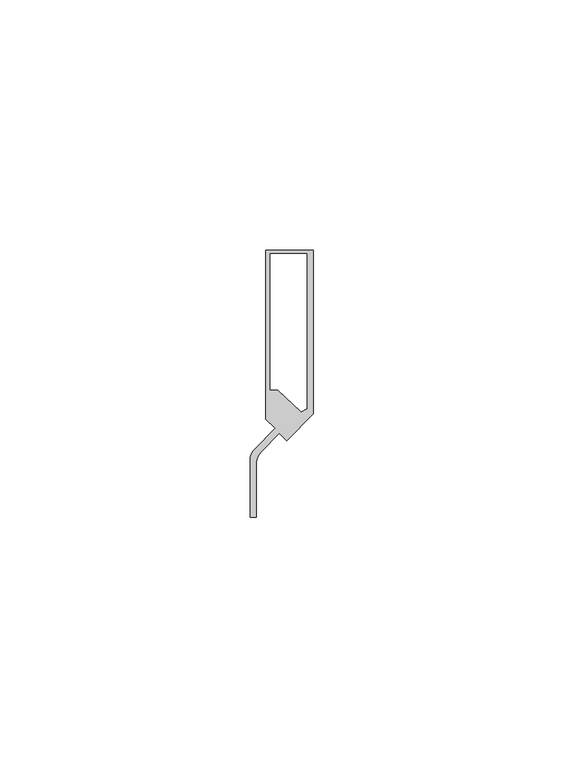
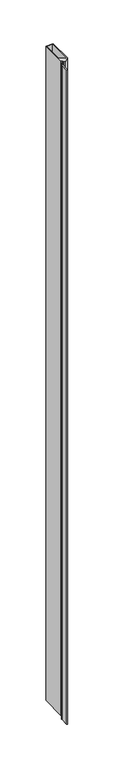
"""IFC4 building model written with IfcOpenShell, lengths in millimetres: proxy geometry."""

from ifc_helpers import new_model, si_unit, point, frame, frame_2d, origin, place, context, project, spatial, polyline, circle_curve, trimmed, segment, composite_curve, outline, extrude, source, transform, mapped, element, save


def generic_models_360291de(model_context):
    return source(origin(), model_context, "Body", "SweptSolid", [
        extrude(outline(composite_curve([segment(polyline([(37091.910396, -24094.004536), (37090.4642848, -24092.5160266), (37086.8080202, -24096.2067155)]), True, "CONTINUOUS"), segment(trimmed(circle_curve(frame_2d((37089.0530849, -24098.4517788)), 3.175), [point((37086.8080202, -24096.2067155))], [point((37085.878085, -24098.4507449))], True, "CARTESIAN"), True, "CONTINUOUS"), segment(polyline([(37085.878085, -24098.4507449), (37085.8745505, -24109.304732), (37084.6045506, -24109.3043184), (37084.6082563, -24097.9245224)]), True, "CONTINUOUS"), segment(trimmed(circle_curve(frame_2d((37087.7832561, -24097.9255563)), 3.175), [point((37084.6082563, -24097.9245224))], [point((37085.5381921, -24095.6804923))], False, "CARTESIAN"), True, "CONTINUOUS"), segment(polyline([(37085.5381921, -24095.6804923), (37089.6463203, -24091.5723641), (37087.7462454, -24089.690802), (37087.7572482, -24055.9031815), (37097.2822477, -24055.9062833), (37097.2715859, -24088.6468366), (37091.910396, -24094.004536)]), True, "CONTINUOUS")], self_intersect=False), holes=[polyline([(37094.8346007, -24088.2641844), (37095.9425612, -24087.6092148), (37095.9425612, -24056.6418591), (37088.6521084, -24056.6418591), (37088.6521084, -24083.8786114), (37090.2028363, -24083.9634135), (37094.8346007, -24088.2641844)])]), frame((0.0, 0.0, 1524.0), z_axis=(0.0, 0.0, 1.0), x_axis=(1.0, 0.0, 0.0)), (0.0, 0.0, 1.0), 914.4),
    ])


if __name__ == "__main__":
    model = new_model("IFC4")
    model_context = context("Model", 3, world=origin())
    ifc_project = project(units=[si_unit("LENGTHUNIT", "METRE", prefix="MILLI")], contexts=[model_context])
    site = spatial("IfcSite", under=ifc_project)
    building = spatial("IfcBuilding", under=site)
    placement = place(None, origin())
    generic_models_shape = generic_models_360291de(model_context)
    element("IfcBuildingElementProxy", 1, Name="Generic Models", at=placement, inside=building, context=model_context, shape_type="MappedRepresentation", body=[
        mapped(generic_models_shape, transform((0.0, 0.0, 0.0), x_axis=(1.0, 0.0, 0.0), y_axis=(0.0, 1.0, 0.0), z_axis=(0.0, 0.0, 1.0))),
    ])
    save(model, "model.ifc")
